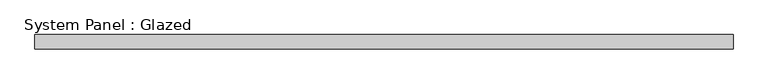
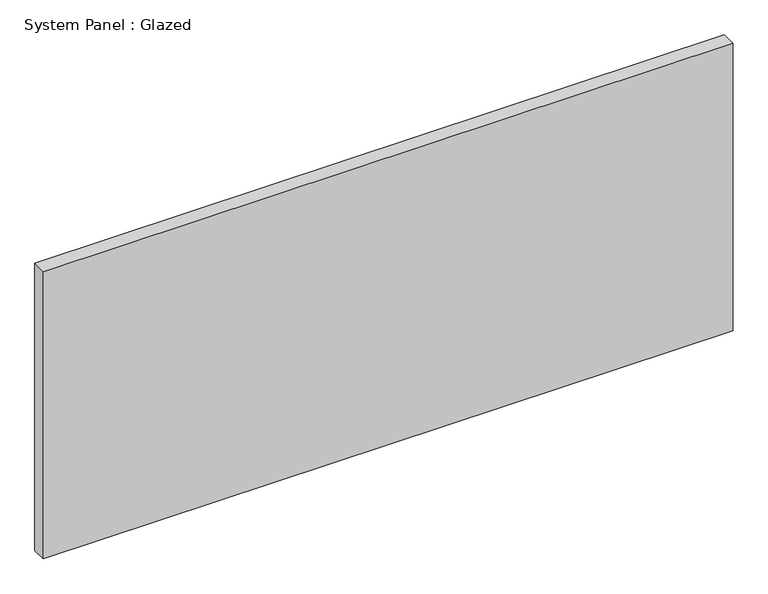
"""IFC4 building model written with IfcOpenShell, lengths in millimetres: plate geometry, System Panel : Glazed."""

from ifc_helpers import new_model, si_unit, origin, origin_with_axes, place, context, project, spatial, polyline, outline, extrude, source, transform, mapped, element, save


def system_panel_glazed_69c65258(model_context):
    return source(origin(), model_context, "Body", "SweptSolid", [
        extrude(outline(polyline([(612.7750001, 19.05), (-612.7750001, 19.05), (-612.7750001, 44.45), (612.7750001, 44.45), (612.7750001, 19.05)])), origin_with_axes(), (0.0, 0.0, 1.0), 539.75),
    ])


if __name__ == "__main__":
    model = new_model("IFC4")
    model_context = context("Model", 3, world=origin())
    ifc_project = project(units=[si_unit("LENGTHUNIT", "METRE", prefix="MILLI")], contexts=[model_context])
    site = spatial("IfcSite", under=ifc_project)
    building = spatial("IfcBuilding", under=site)
    placement = place(None, origin())
    system_panel_glazed_shape = system_panel_glazed_69c65258(model_context)
    element("IfcPlate", 1, ObjectType="System Panel : Glazed", at=placement, inside=building, context=model_context, shape_type="MappedRepresentation", body=[
        mapped(system_panel_glazed_shape, transform((0.0, 0.0, 0.0), x_axis=(1.0, 0.0, 0.0), y_axis=(0.0, 1.0, 0.0), z_axis=(0.0, 0.0, 1.0))),
    ])
    save(model, "model.ifc")
